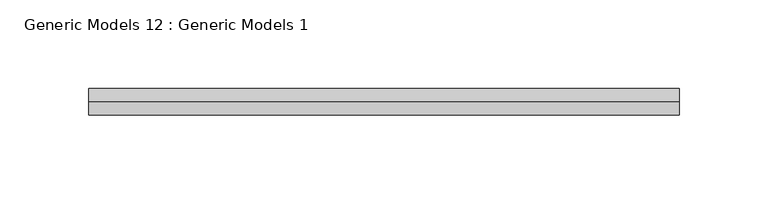
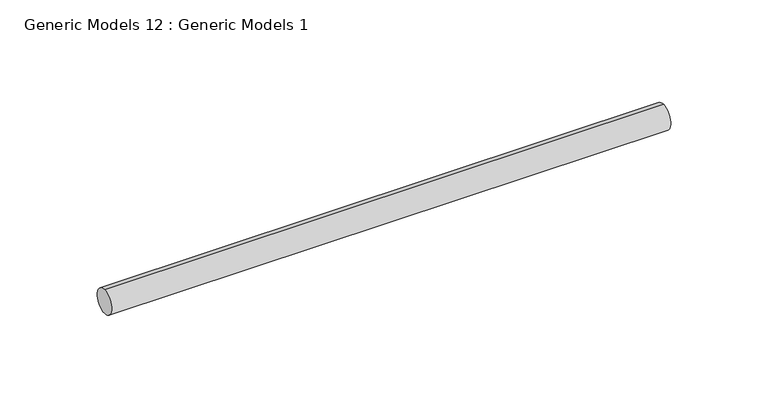
"""IFC4 building model written with IfcOpenShell, lengths in millimetres: proxy geometry, Generic Models 12 : Generic Models 1."""

from ifc_helpers import new_model, si_unit, point, frame, frame_2d, origin, place, context, project, spatial, circle_curve, trimmed, segment, composite_curve, outline, extrude, source, transform, mapped, element, save


def generic_models_12_generic_models_1_6882f290(model_context):
    return source(origin(), model_context, "Body", "SweptSolid", [
        extrude(outline(composite_curve([segment(trimmed(circle_curve(frame_2d((400.3057469, -814.107223)), 7.5), [point((400.3057469, -821.607223))], [point((400.3057469, -806.607223))], False, "CARTESIAN"), True, "CONTINUOUS"), segment(trimmed(circle_curve(frame_2d((400.3057469, -814.107223)), 7.5), [point((400.3057469, -806.607223))], [point((400.3057469, -821.607223))], False, "CARTESIAN"), True, "CONTINUOUS")], self_intersect=False)), frame((4555.2345051, 0.0, 0.0), z_axis=(1.0, 0.0, 0.0), x_axis=(0.0, 1.0, 0.0)), (0.0, 0.0, 1.0), 332.0),
    ])


if __name__ == "__main__":
    model = new_model("IFC4")
    model_context = context("Model", 3, world=origin())
    ifc_project = project(units=[si_unit("LENGTHUNIT", "METRE", prefix="MILLI")], contexts=[model_context])
    site = spatial("IfcSite", under=ifc_project)
    building = spatial("IfcBuilding", under=site)
    placement = place(None, origin())
    generic_models_12_generic_models_1_shape = generic_models_12_generic_models_1_6882f290(model_context)
    element("IfcBuildingElementProxy", 1, Name="Generic Models 12 : Generic Models 1", ObjectType="Generic Models 12 : Generic Models 1", at=placement, inside=building, context=model_context, shape_type="MappedRepresentation", body=[
        mapped(generic_models_12_generic_models_1_shape, transform((0.0, 0.0, 0.0), x_axis=(1.0, 0.0, 0.0), y_axis=(0.0, 1.0, 0.0), z_axis=(0.0, 0.0, 1.0))),
    ])
    save(model, "model.ifc")
